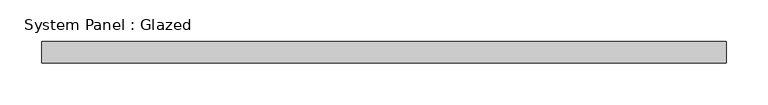
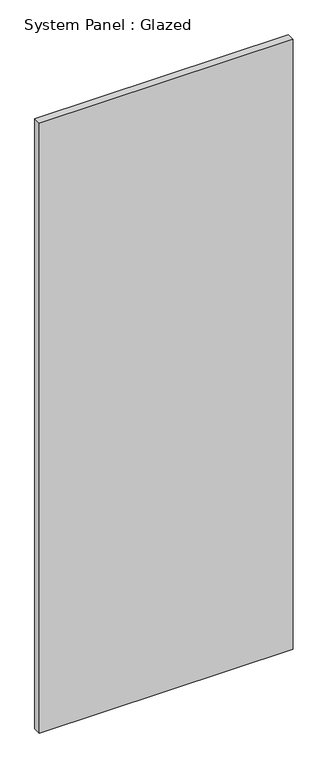
"""IFC4 building model written with IfcOpenShell, lengths in millimetres: plate geometry, System Panel : Glazed."""

from ifc_helpers import new_model, si_unit, origin, origin_with_axes, place, context, project, spatial, polyline, outline, extrude, source, transform, mapped, element, save


def system_panel_glazed_eacfac5d(model_context):
    return source(origin(), model_context, "Body", "SweptSolid", [
        extrude(outline(polyline([(408.5855998, 19.05), (-408.5855998, 19.05), (-408.5855998, 44.45), (408.5855998, 44.45), (408.5855998, 19.05)])), origin_with_axes(), (0.0, 0.0, 1.0), 2076.45),
    ])


if __name__ == "__main__":
    model = new_model("IFC4")
    model_context = context("Model", 3, world=origin())
    ifc_project = project(units=[si_unit("LENGTHUNIT", "METRE", prefix="MILLI")], contexts=[model_context])
    site = spatial("IfcSite", under=ifc_project)
    building = spatial("IfcBuilding", under=site)
    placement = place(None, origin())
    system_panel_glazed_shape = system_panel_glazed_eacfac5d(model_context)
    element("IfcPlate", 1, ObjectType="System Panel : Glazed", at=placement, inside=building, context=model_context, shape_type="MappedRepresentation", body=[
        mapped(system_panel_glazed_shape, transform((0.0, 0.0, 0.0), x_axis=(1.0, 0.0, 0.0), y_axis=(0.0, 1.0, 0.0), z_axis=(0.0, 0.0, 1.0))),
    ])
    save(model, "model.ifc")
